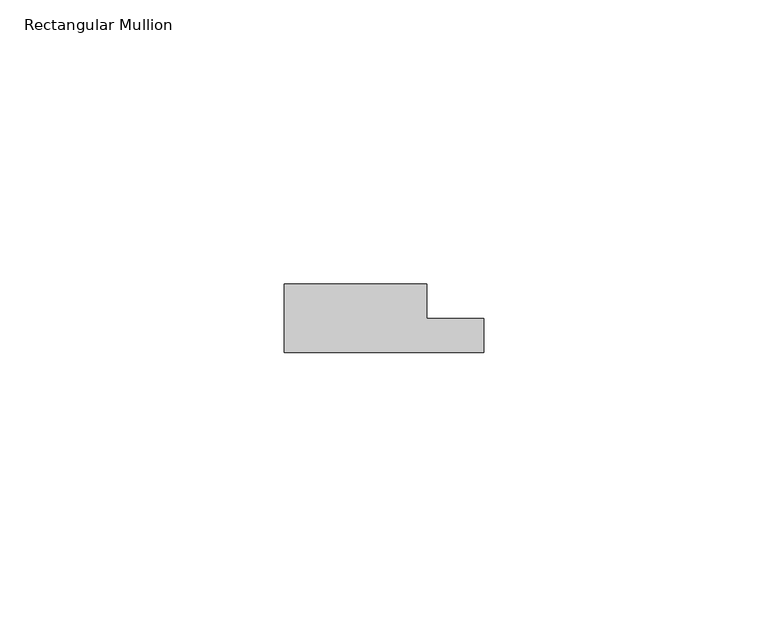
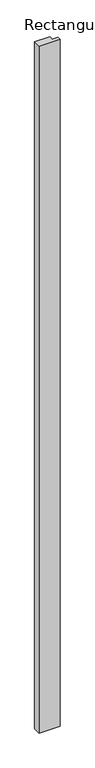
"""IFC4 building model written with IfcOpenShell, lengths in millimetres: member geometry, Rectangular Mullion."""

from ifc_helpers import new_model, si_unit, frame, origin, place, context, project, spatial, polyline, outline, extrude, source, transform, mapped, element, save


def rectangular_mullion_f123e660(model_context):
    return source(origin(), model_context, "Body", "SweptSolid", [
        extrude(outline(polyline([(17.5, 0.0), (-17.5, 0.0), (-17.5, 12.0), (7.5, 12.0), (7.5, 6.0), (17.5, 6.0), (17.5, 0.0)])), frame((0.0, 0.0, -1200.0), z_axis=(0.0, 0.0, 1.0), x_axis=(1.0, 0.0, 0.0)), (0.0, 0.0, 1.0), 1200.0),
    ])


if __name__ == "__main__":
    model = new_model("IFC4")
    model_context = context("Model", 3, world=origin())
    ifc_project = project(units=[si_unit("LENGTHUNIT", "METRE", prefix="MILLI")], contexts=[model_context])
    site = spatial("IfcSite", under=ifc_project)
    building = spatial("IfcBuilding", under=site)
    placement = place(None, origin())
    rectangular_mullion_shape = rectangular_mullion_f123e660(model_context)
    element("IfcMember", 1, ObjectType="Rectangular Mullion", at=placement, inside=building, context=model_context, shape_type="MappedRepresentation", body=[
        mapped(rectangular_mullion_shape, transform((0.0, 0.0, 0.0), x_axis=(1.0, 0.0, 0.0), y_axis=(0.0, 1.0, 0.0), z_axis=(0.0, 0.0, 1.0))),
    ])
    save(model, "model.ifc")
